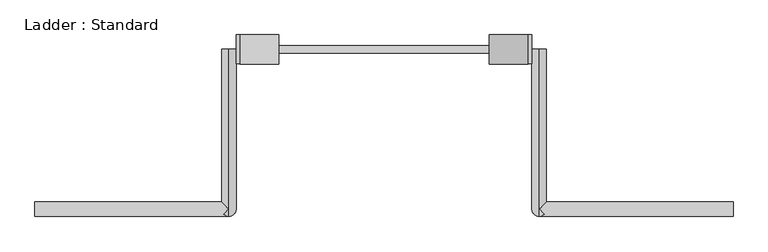
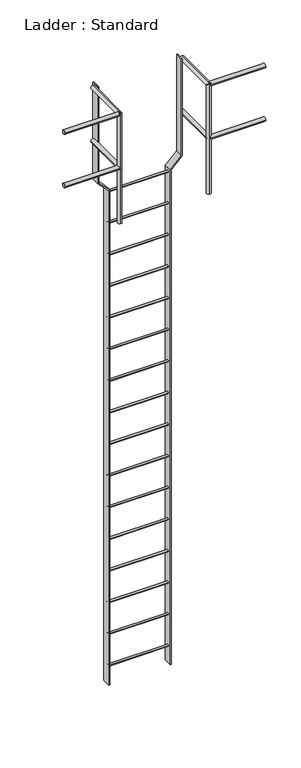
"""IFC4 building model written with IfcOpenShell, lengths in millimetres: proxy geometry, Ladder : Standard."""

from ifc_helpers import new_model, si_unit, point, frame, frame_2d, origin, place, context, project, spatial, polyline, circle_curve, ellipse_curve, trimmed, segment, composite_curve, outline, extrude, source, transform, mapped, element, save
from ifc_brep_helpers import plane_surface, cylinder_surface, advanced_brep


def ladder_standard_c628fd22(model_context):
    return source(origin(), model_context, "Body", "SolidModel", [
        extrude(outline(composite_curve([segment(trimmed(circle_curve(frame_2d((419.1, -4572.0)), 9.525), [point((409.575, -4572.0))], [point((428.625, -4572.0))], False, "CARTESIAN"), True, "CONTINUOUS"), segment(trimmed(circle_curve(frame_2d((419.1, -4572.0)), 9.525), [point((428.625, -4572.0))], [point((409.575, -4572.0))], False, "CARTESIAN"), True, "CONTINUOUS")], self_intersect=False)), frame((-276.3329351, 0.0, 0.0), z_axis=(1.0, 0.0, 0.0), x_axis=(0.0, 1.0, 0.0)), (0.0, 0.0, 1.0), 552.6658703),
        extrude(outline(composite_curve([segment(trimmed(circle_curve(frame_2d((419.1, -4267.2)), 9.525), [point((409.575, -4267.2))], [point((428.625, -4267.2))], False, "CARTESIAN"), True, "CONTINUOUS"), segment(trimmed(circle_curve(frame_2d((419.1, -4267.2)), 9.525), [point((428.625, -4267.2))], [point((409.575, -4267.2))], False, "CARTESIAN"), True, "CONTINUOUS")], self_intersect=False)), frame((-276.3329351, 0.0, 0.0), z_axis=(1.0, 0.0, 0.0), x_axis=(0.0, 1.0, 0.0)), (0.0, 0.0, 1.0), 552.6658703),
        extrude(outline(composite_curve([segment(trimmed(circle_curve(frame_2d((419.1, -3962.4)), 9.525), [point((409.575, -3962.4))], [point((428.625, -3962.4))], False, "CARTESIAN"), True, "CONTINUOUS"), segment(trimmed(circle_curve(frame_2d((419.1, -3962.4)), 9.525), [point((428.625, -3962.4))], [point((409.575, -3962.4))], False, "CARTESIAN"), True, "CONTINUOUS")], self_intersect=False)), frame((-276.3329351, 0.0, 0.0), z_axis=(1.0, 0.0, 0.0), x_axis=(0.0, 1.0, 0.0)), (0.0, 0.0, 1.0), 552.6658703),
        extrude(outline(composite_curve([segment(trimmed(circle_curve(frame_2d((419.1, -3657.6)), 9.525), [point((409.575, -3657.6))], [point((428.625, -3657.6))], False, "CARTESIAN"), True, "CONTINUOUS"), segment(trimmed(circle_curve(frame_2d((419.1, -3657.6)), 9.525), [point((428.625, -3657.6))], [point((409.575, -3657.6))], False, "CARTESIAN"), True, "CONTINUOUS")], self_intersect=False)), frame((-276.3329351, 0.0, 0.0), z_axis=(1.0, 0.0, 0.0), x_axis=(0.0, 1.0, 0.0)), (0.0, 0.0, 1.0), 552.6658703),
        extrude(outline(composite_curve([segment(trimmed(circle_curve(frame_2d((419.1, -3352.8)), 9.525), [point((409.575, -3352.8))], [point((428.625, -3352.8))], False, "CARTESIAN"), True, "CONTINUOUS"), segment(trimmed(circle_curve(frame_2d((419.1, -3352.8)), 9.525), [point((428.625, -3352.8))], [point((409.575, -3352.8))], False, "CARTESIAN"), True, "CONTINUOUS")], self_intersect=False)), frame((-276.3329351, 0.0, 0.0), z_axis=(1.0, 0.0, 0.0), x_axis=(0.0, 1.0, 0.0)), (0.0, 0.0, 1.0), 552.6658703),
        extrude(outline(composite_curve([segment(trimmed(circle_curve(frame_2d((419.1, -3048.0)), 9.525), [point((409.575, -3048.0))], [point((428.625, -3048.0))], False, "CARTESIAN"), True, "CONTINUOUS"), segment(trimmed(circle_curve(frame_2d((419.1, -3048.0)), 9.525), [point((428.625, -3048.0))], [point((409.575, -3048.0))], False, "CARTESIAN"), True, "CONTINUOUS")], self_intersect=False)), frame((-276.3329351, 0.0, 0.0), z_axis=(1.0, 0.0, 0.0), x_axis=(0.0, 1.0, 0.0)), (0.0, 0.0, 1.0), 552.6658703),
        extrude(outline(composite_curve([segment(trimmed(circle_curve(frame_2d((419.1, -2743.2)), 9.525), [point((409.575, -2743.2))], [point((428.625, -2743.2))], False, "CARTESIAN"), True, "CONTINUOUS"), segment(trimmed(circle_curve(frame_2d((419.1, -2743.2)), 9.525), [point((428.625, -2743.2))], [point((409.575, -2743.2))], False, "CARTESIAN"), True, "CONTINUOUS")], self_intersect=False)), frame((-276.3329351, 0.0, 0.0), z_axis=(1.0, 0.0, 0.0), x_axis=(0.0, 1.0, 0.0)), (0.0, 0.0, 1.0), 552.6658703),
        extrude(outline(composite_curve([segment(trimmed(circle_curve(frame_2d((419.1, -2438.4)), 9.525), [point((409.575, -2438.4))], [point((428.625, -2438.4))], False, "CARTESIAN"), True, "CONTINUOUS"), segment(trimmed(circle_curve(frame_2d((419.1, -2438.4)), 9.525), [point((428.625, -2438.4))], [point((409.575, -2438.4))], False, "CARTESIAN"), True, "CONTINUOUS")], self_intersect=False)), frame((-276.3329351, 0.0, 0.0), z_axis=(1.0, 0.0, 0.0), x_axis=(0.0, 1.0, 0.0)), (0.0, 0.0, 1.0), 552.6658703),
        extrude(outline(composite_curve([segment(trimmed(circle_curve(frame_2d((419.1, -2133.6)), 9.525), [point((409.575, -2133.6))], [point((428.625, -2133.6))], False, "CARTESIAN"), True, "CONTINUOUS"), segment(trimmed(circle_curve(frame_2d((419.1, -2133.6)), 9.525), [point((428.625, -2133.6))], [point((409.575, -2133.6))], False, "CARTESIAN"), True, "CONTINUOUS")], self_intersect=False)), frame((-276.3329351, 0.0, 0.0), z_axis=(1.0, 0.0, 0.0), x_axis=(0.0, 1.0, 0.0)), (0.0, 0.0, 1.0), 552.6658703),
        extrude(outline(composite_curve([segment(trimmed(circle_curve(frame_2d((419.1, -1828.8)), 9.525), [point((409.575, -1828.8))], [point((428.625, -1828.8))], False, "CARTESIAN"), True, "CONTINUOUS"), segment(trimmed(circle_curve(frame_2d((419.1, -1828.8)), 9.525), [point((428.625, -1828.8))], [point((409.575, -1828.8))], False, "CARTESIAN"), True, "CONTINUOUS")], self_intersect=False)), frame((-276.3329351, 0.0, 0.0), z_axis=(1.0, 0.0, 0.0), x_axis=(0.0, 1.0, 0.0)), (0.0, 0.0, 1.0), 552.6658703),
        extrude(outline(composite_curve([segment(trimmed(circle_curve(frame_2d((419.1, -1524.0)), 9.525), [point((409.575, -1524.0))], [point((428.625, -1524.0))], False, "CARTESIAN"), True, "CONTINUOUS"), segment(trimmed(circle_curve(frame_2d((419.1, -1524.0)), 9.525), [point((428.625, -1524.0))], [point((409.575, -1524.0))], False, "CARTESIAN"), True, "CONTINUOUS")], self_intersect=False)), frame((-276.3329351, 0.0, 0.0), z_axis=(1.0, 0.0, 0.0), x_axis=(0.0, 1.0, 0.0)), (0.0, 0.0, 1.0), 552.6658703),
        extrude(outline(composite_curve([segment(trimmed(circle_curve(frame_2d((419.1, -1219.2)), 9.525), [point((409.575, -1219.2))], [point((428.625, -1219.2))], False, "CARTESIAN"), True, "CONTINUOUS"), segment(trimmed(circle_curve(frame_2d((419.1, -1219.2)), 9.525), [point((428.625, -1219.2))], [point((409.575, -1219.2))], False, "CARTESIAN"), True, "CONTINUOUS")], self_intersect=False)), frame((-276.3329351, 0.0, 0.0), z_axis=(1.0, 0.0, 0.0), x_axis=(0.0, 1.0, 0.0)), (0.0, 0.0, 1.0), 552.6658703),
        extrude(outline(composite_curve([segment(trimmed(circle_curve(frame_2d((419.1, -914.4)), 9.525), [point((409.575, -914.4))], [point((428.625, -914.4))], False, "CARTESIAN"), True, "CONTINUOUS"), segment(trimmed(circle_curve(frame_2d((419.1, -914.4)), 9.525), [point((428.625, -914.4))], [point((409.575, -914.4))], False, "CARTESIAN"), True, "CONTINUOUS")], self_intersect=False)), frame((-276.3329351, 0.0, 0.0), z_axis=(1.0, 0.0, 0.0), x_axis=(0.0, 1.0, 0.0)), (0.0, 0.0, 1.0), 552.6658703),
        extrude(outline(composite_curve([segment(trimmed(circle_curve(frame_2d((419.1, -609.6)), 9.525), [point((409.575, -609.6))], [point((428.625, -609.6))], False, "CARTESIAN"), True, "CONTINUOUS"), segment(trimmed(circle_curve(frame_2d((419.1, -609.6)), 9.525), [point((428.625, -609.6))], [point((409.575, -609.6))], False, "CARTESIAN"), True, "CONTINUOUS")], self_intersect=False)), frame((-276.3329351, 0.0, 0.0), z_axis=(1.0, 0.0, 0.0), x_axis=(0.0, 1.0, 0.0)), (0.0, 0.0, 1.0), 552.6658703),
        extrude(outline(composite_curve([segment(trimmed(circle_curve(frame_2d((419.1, -304.8)), 9.525), [point((409.575, -304.8))], [point((428.625, -304.8))], False, "CARTESIAN"), True, "CONTINUOUS"), segment(trimmed(circle_curve(frame_2d((419.1, -304.8)), 9.525), [point((428.625, -304.8))], [point((409.575, -304.8))], False, "CARTESIAN"), True, "CONTINUOUS")], self_intersect=False)), frame((-276.3329351, 0.0, 0.0), z_axis=(1.0, 0.0, 0.0), x_axis=(0.0, 1.0, 0.0)), (0.0, 0.0, 1.0), 552.6658703),
        extrude(outline(composite_curve([segment(trimmed(circle_curve(frame_2d((419.1, 0.0)), 9.525), [point((409.575, 0.0))], [point((428.625, 0.0))], False, "CARTESIAN"), True, "CONTINUOUS"), segment(trimmed(circle_curve(frame_2d((419.1, 0.0)), 9.525), [point((428.625, 0.0))], [point((409.575, 0.0))], False, "CARTESIAN"), True, "CONTINUOUS")], self_intersect=False)), frame((-276.3329351, 0.0, 0.0), z_axis=(1.0, 0.0, 0.0), x_axis=(0.0, 1.0, 0.0)), (0.0, 0.0, 1.0), 552.6658703),
        advanced_brep(
        [(387.4579351, 419.1, 533.4), (425.5579351, 419.1, 533.4), (425.5579351, 19.05, 533.4), (419.9783193, 13.4703842, 519.9296158), (406.5079351, 19.05, 514.35), (387.4579351, 0.0, 533.4), (406.5079351, 19.05, 552.45), (419.9783193, 13.4703842, 546.8703842), (914.5079351, -19.05, 533.4), (914.5079351, 19.05, 533.4), (406.5079351, -19.05, 533.4), (406.5079351, 19.05, 0.0), (406.5079351, -19.05, 0.0), (406.5079351, 19.05, 1028.7), (419.9783193, 13.4703842, 1034.2796158), (406.5079351, -19.05, 1047.75), (419.9783193, -13.4703842, 1061.2203842), (406.5079351, -19.05, 1066.8), (406.5079351, 419.1, 1028.7), (406.5079351, 419.1, 1066.8), (406.5079351, 0.0, 1066.8), (425.5579351, 19.05, 1047.75), (914.5079351, -19.05, 1047.75), (914.5079351, 19.05, 1047.75)],
        [
            (0, 1, circle_curve(frame((406.5079351, 419.1, 533.4), z_axis=(0.0, 1.0, 0.0), x_axis=(1.0, 0.0, 0.0)), 19.05)),
            (1, 0, circle_curve(frame((406.5079351, 419.1, 533.4), z_axis=(0.0, 1.0, 0.0), x_axis=(1.0, 0.0, 0.0)), 19.05)),
            (1, 2),
            (2, 3, ellipse_curve(frame((406.5079351, 0.0, 533.4), z_axis=(-0.7071067811865459, 0.7071067811865492, 0.0), x_axis=(-0.7071067811865492, -0.7071067811865457, 0.0)), 26.9407684, 19.05)),
            (3, 4, ellipse_curve(frame((406.5079351, 0.0, 533.4), z_axis=(0.0, 0.7071067811865475, 0.7071067811865475), x_axis=(0.0, -0.7071067811865476, 0.7071067811865474)), 26.9407684, 19.05)),
            (4, 5, ellipse_curve(frame((406.5079351, 0.0, 533.4), z_axis=(0.0, 0.7071067811865475, 0.7071067811865475), x_axis=(0.0, -0.7071067811865476, 0.7071067811865474)), 26.9407684, 19.05)),
            (5, 0),
            (5, 6, ellipse_curve(frame((406.5079351, 0.0, 533.4), z_axis=(0.0, 0.7071067811865475, -0.7071067811865475), x_axis=(0.0, -0.7071067811865476, -0.7071067811865474)), 26.9407684, 19.05)),
            (6, 7, ellipse_curve(frame((406.5079351, 0.0, 533.4), z_axis=(0.0, 0.7071067811865475, -0.7071067811865475), x_axis=(0.0, -0.7071067811865476, -0.7071067811865474)), 26.9407684, 19.05)),
            (7, 2, ellipse_curve(frame((406.5079351, 0.0, 533.4), z_axis=(-0.7071067811865459, 0.7071067811865492, 0.0), x_axis=(-0.7071067811865492, -0.7071067811865457, 0.0)), 26.9407684, 19.05)),
            (8, 9, circle_curve(frame((914.5079351, 0.0, 533.4), z_axis=(1.0, 0.0, 0.0), x_axis=(0.0, 1.0, 0.0)), 19.05)),
            (9, 8, circle_curve(frame((914.5079351, 0.0, 533.4), z_axis=(1.0, 0.0, 0.0), x_axis=(0.0, 1.0, 0.0)), 19.05)),
            (8, 10),
            (10, 3, ellipse_curve(frame((406.5079351, 0.0, 533.4), z_axis=(0.7071067811865475, 0.0, 0.7071067811865476), x_axis=(0.7071067811865476, 0.0, -0.7071067811865474)), 26.9407684, 19.05)),
            (2, 9),
            (7, 10, ellipse_curve(frame((406.5079351, 0.0, 533.4), z_axis=(0.7071067811865476, 0.0, -0.7071067811865475), x_axis=(0.7071067811865474, 0.0, 0.7071067811865476)), 26.9407684, 19.05)),
            (11, 12, circle_curve(frame((406.5079351, 0.0, 0.0), z_axis=(0.0, 0.0, -1.0), x_axis=(0.0, -1.0, 0.0)), 19.05)),
            (12, 11, circle_curve(frame((406.5079351, 0.0, 0.0), z_axis=(0.0, 0.0, -1.0), x_axis=(0.0, -1.0, 0.0)), 19.05)),
            (11, 4),
            (10, 12),
            (6, 13),
            (13, 14, ellipse_curve(frame((406.5079351, 0.0, 1047.75), z_axis=(0.0, -0.7071067811865475, -0.7071067811865475), x_axis=(0.0, 0.7071067811865474, -0.7071067811865476)), 26.9407684, 19.05)),
            (14, 15, ellipse_curve(frame((406.5079351, 0.0, 1047.75), z_axis=(-0.7071067811865475, 0.0, -0.7071067811865476), x_axis=(0.7071067811865476, 0.0, -0.7071067811865474)), 26.9407684, 19.05)),
            (15, 10),
            (16, 17, ellipse_curve(frame((406.5079351, 0.0, 1047.75), z_axis=(0.0, -0.7071067811865475, -0.7071067811865475), x_axis=(0.0, 0.7071067811865474, -0.7071067811865476)), 26.9407684, 19.05)),
            (17, 15),
            (15, 16, ellipse_curve(frame((406.5079351, 0.0, 1047.75), z_axis=(-0.7071067811865476, 0.0, 0.7071067811865475), x_axis=(-0.7071067811865474, 0.0, -0.7071067811865476)), 26.9407684, 19.05)),
            (17, 13, ellipse_curve(frame((406.5079351, 0.0, 1047.75), z_axis=(0.0, -0.7071067811865475, -0.7071067811865475), x_axis=(0.0, 0.7071067811865474, -0.7071067811865476)), 26.9407684, 19.05)),
            (18, 19, circle_curve(frame((406.5079351, 419.1, 1047.75), z_axis=(0.0, 1.0, 0.0), x_axis=(0.0, 0.0, 1.0)), 19.05)),
            (19, 18, circle_curve(frame((406.5079351, 419.1, 1047.75), z_axis=(0.0, 1.0, 0.0), x_axis=(0.0, 0.0, 1.0)), 19.05)),
            (16, 20, ellipse_curve(frame((406.5079351, 0.0, 1047.75), z_axis=(-0.7071067811865508, -0.7071067811865441, 0.0), x_axis=(0.7071067811865441, -0.7071067811865509, 0.0)), 26.9407684, 19.05)),
            (20, 17),
            (19, 20),
            (20, 21, ellipse_curve(frame((406.5079351, 0.0, 1047.75), z_axis=(-0.7071067811865441, 0.7071067811865508, 0.0), x_axis=(-0.7071067811865507, -0.7071067811865442, 0.0)), 26.9407684, 19.05)),
            (21, 14, ellipse_curve(frame((406.5079351, 0.0, 1047.75), z_axis=(-0.7071067811865441, 0.7071067811865508, 0.0), x_axis=(-0.7071067811865507, -0.7071067811865442, 0.0)), 26.9407684, 19.05)),
            (13, 18),
            (22, 23, circle_curve(frame((914.5079351, 0.0, 1047.75), z_axis=(1.0, 0.0, 0.0), x_axis=(0.0, 1.0, 0.0)), 19.05)),
            (23, 22, circle_curve(frame((914.5079351, 0.0, 1047.75), z_axis=(1.0, 0.0, 0.0), x_axis=(0.0, 1.0, 0.0)), 19.05)),
            (22, 15),
            (21, 23),
        ],
        [
            plane_surface(frame((425.5579351, 419.1, 533.4), z_axis=(0.0, 1.0, 0.0), x_axis=(0.0, 0.0, -1.0))),
            cylinder_surface(frame((406.5079351, 419.1, 533.4), z_axis=(0.0, -1.0, 0.0), x_axis=(1.0, 0.0, 0.0)), 19.05),
            plane_surface(frame((914.5079351, 19.05, 533.4), z_axis=(1.0, 0.0, 0.0), x_axis=(0.0, 0.0, 1.0))),
            cylinder_surface(frame((406.5079351, 0.0, 533.4), z_axis=(1.0, 0.0, 0.0), x_axis=(0.0, 1.0, 0.0)), 19.05),
            plane_surface(frame((0.0, 0.0, 0.0), z_axis=(0.0, 0.0, -1.0), x_axis=(1.0, 0.0, 0.0))),
            cylinder_surface(frame((406.5079351, 0.0, 0.0), z_axis=(0.0, 0.0, -1.0), x_axis=(0.0, -1.0, 0.0)), 19.05),
            plane_surface(frame((0.0, 419.1, 1047.75), z_axis=(0.0, 1.0, 0.0), x_axis=(1.0, 0.0, 0.0))),
            cylinder_surface(frame((406.5079351, 0.0, 1047.75), z_axis=(0.0, -1.0, 0.0), x_axis=(0.0, 0.0, 1.0)), 19.05),
            plane_surface(frame((914.5079351, 19.05, 1047.75), z_axis=(1.0, 0.0, 0.0), x_axis=(0.0, 0.0, 1.0))),
            cylinder_surface(frame((406.5079351, 0.0, 1047.75), z_axis=(1.0, 0.0, 0.0), x_axis=(0.0, 1.0, 0.0)), 19.05),
        ],
        [
            (0, [[1, 2]]),
            (1, [[-2, 3, 4, 5, 6, 7]]),
            (1, [[-1, -7, 8, 9, 10, -3]]),
            (2, [[11, 12]]),
            (3, [[-11, 13, 14, -4, 15]]),
            (3, [[-12, -15, -10, 16, -13]]),
            (4, [[17, 18]]),
            (5, [[-17, 19, -5, -14, 20]]),
            (5, [[21, 22, 23, 24, -16, -9]]),
            (5, [[25, 26, 27]]),
            (5, [[-18, -20, -24, -26, 28, -21, -8, -6, -19]]),
            (6, [[29, 30]]),
            (7, [[-25, 31, 32]]),
            (7, [[-30, 33, 34, 35, -22, 36]]),
            (7, [[-28, -32, -33, -29, -36]]),
            (8, [[37, 38]]),
            (9, [[-37, 39, -23, -35, 40]]),
            (9, [[-38, -40, -34, -31, -27, -39]]),
        ],
    ),
        advanced_brep(
        [(-914.5079351, -19.05, 533.4), (-914.5079351, 19.05, 533.4), (-425.5579351, 19.05, 533.4), (-419.9783193, 13.4703842, 519.9296158), (-406.5079351, -19.05, 533.4), (-419.9783193, 13.4703842, 546.8703842), (-425.5579351, 419.1, 533.4), (-387.4579351, 419.1, 533.4), (-387.4579351, 0.0, 533.4), (-406.5079351, 19.05, 514.35), (-406.5079351, 19.05, 552.45), (-406.5079351, 19.05, 0.0), (-406.5079351, -19.05, 0.0), (-406.5079351, 19.05, 1028.7), (-406.5079351, -19.05, 1066.8), (-406.5079351, -19.05, 1047.75), (-419.9783193, 13.4703842, 1034.2796158), (-419.9783193, -13.4703842, 1061.2203842), (-406.5079351, 419.1, 1028.7), (-406.5079351, 419.1, 1066.8), (-406.5079351, 0.0, 1066.8), (-425.5579351, 19.05, 1047.75), (-914.5079351, -19.05, 1047.75), (-914.5079351, 19.05, 1047.75)],
        [
            (0, 1, circle_curve(frame((-914.5079351, 0.0, 533.4), z_axis=(-1.0, 0.0, 0.0), x_axis=(0.0, 1.0, 0.0)), 19.05)),
            (1, 0, circle_curve(frame((-914.5079351, 0.0, 533.4), z_axis=(-1.0, 0.0, 0.0), x_axis=(0.0, 1.0, 0.0)), 19.05)),
            (1, 2),
            (2, 3, ellipse_curve(frame((-406.5079351, 0.0, 533.4), z_axis=(-0.7071067811865491, -0.7071067811865458, 0.0), x_axis=(0.7071067811865459, -0.707106781186549, 0.0)), 26.9407684, 19.05)),
            (3, 4, ellipse_curve(frame((-406.5079351, 0.0, 533.4), z_axis=(-0.7071067811865476, 0.0, 0.7071067811865475), x_axis=(0.7071067811865474, 0.0, 0.7071067811865476)), 26.9407684, 19.05)),
            (4, 0),
            (4, 5, ellipse_curve(frame((-406.5079351, 0.0, 533.4), z_axis=(-0.7071067811865475, 0.0, -0.7071067811865476), x_axis=(0.7071067811865476, 0.0, -0.7071067811865474)), 26.9407684, 19.05)),
            (5, 2, ellipse_curve(frame((-406.5079351, 0.0, 533.4), z_axis=(-0.7071067811865491, -0.7071067811865458, 0.0), x_axis=(0.7071067811865459, -0.707106781186549, 0.0)), 26.9407684, 19.05)),
            (6, 7, circle_curve(frame((-406.5079351, 419.1, 533.4), z_axis=(0.0, 1.0, 0.0), x_axis=(1.0, 0.0, 0.0)), 19.05)),
            (7, 6, circle_curve(frame((-406.5079351, 419.1, 533.4), z_axis=(0.0, 1.0, 0.0), x_axis=(1.0, 0.0, 0.0)), 19.05)),
            (7, 8),
            (8, 9, ellipse_curve(frame((-406.5079351, 0.0, 533.4), z_axis=(0.0, 0.7071067811865475, 0.7071067811865475), x_axis=(0.0, -0.7071067811865476, 0.7071067811865474)), 26.9407684, 19.05)),
            (9, 3, ellipse_curve(frame((-406.5079351, 0.0, 533.4), z_axis=(0.0, 0.7071067811865475, 0.7071067811865475), x_axis=(0.0, -0.7071067811865476, 0.7071067811865474)), 26.9407684, 19.05)),
            (2, 6),
            (5, 10, ellipse_curve(frame((-406.5079351, 0.0, 533.4), z_axis=(0.0, 0.7071067811865475, -0.7071067811865475), x_axis=(0.0, -0.7071067811865476, -0.7071067811865474)), 26.9407684, 19.05)),
            (10, 8, ellipse_curve(frame((-406.5079351, 0.0, 533.4), z_axis=(0.0, 0.7071067811865475, -0.7071067811865475), x_axis=(0.0, -0.7071067811865476, -0.7071067811865474)), 26.9407684, 19.05)),
            (11, 12, circle_curve(frame((-406.5079351, 0.0, 0.0), z_axis=(0.0, 0.0, -1.0), x_axis=(0.0, -1.0, 0.0)), 19.05)),
            (12, 11, circle_curve(frame((-406.5079351, 0.0, 0.0), z_axis=(0.0, 0.0, -1.0), x_axis=(0.0, -1.0, 0.0)), 19.05)),
            (11, 9),
            (10, 13),
            (13, 14, ellipse_curve(frame((-406.5079351, 0.0, 1047.75), z_axis=(0.0, -0.7071067811865475, -0.7071067811865475), x_axis=(0.0, 0.7071067811865474, -0.7071067811865476)), 26.9407684, 19.05)),
            (14, 15),
            (15, 4),
            (4, 12),
            (15, 16, ellipse_curve(frame((-406.5079351, 0.0, 1047.75), z_axis=(0.7071067811865476, 0.0, -0.7071067811865475), x_axis=(-0.7071067811865474, 0.0, -0.7071067811865476)), 26.9407684, 19.05)),
            (16, 13, ellipse_curve(frame((-406.5079351, 0.0, 1047.75), z_axis=(0.0, -0.7071067811865475, -0.7071067811865475), x_axis=(0.0, 0.7071067811865474, -0.7071067811865476)), 26.9407684, 19.05)),
            (14, 17, ellipse_curve(frame((-406.5079351, 0.0, 1047.75), z_axis=(0.0, -0.7071067811865475, -0.7071067811865475), x_axis=(0.0, 0.7071067811865474, -0.7071067811865476)), 26.9407684, 19.05)),
            (17, 15, ellipse_curve(frame((-406.5079351, 0.0, 1047.75), z_axis=(0.7071067811865475, 0.0, 0.7071067811865476), x_axis=(0.7071067811865476, 0.0, -0.7071067811865474)), 26.9407684, 19.05)),
            (18, 19, circle_curve(frame((-406.5079351, 419.1, 1047.75), z_axis=(0.0, 1.0, 0.0), x_axis=(0.0, 0.0, 1.0)), 19.05)),
            (19, 18, circle_curve(frame((-406.5079351, 419.1, 1047.75), z_axis=(0.0, 1.0, 0.0), x_axis=(0.0, 0.0, 1.0)), 19.05)),
            (13, 18),
            (19, 20),
            (20, 14),
            (20, 17, ellipse_curve(frame((-406.5079351, 0.0, 1047.75), z_axis=(0.7071067811865441, -0.7071067811865508, 0.0), x_axis=(-0.7071067811865507, -0.7071067811865442, 0.0)), 26.9407684, 19.05)),
            (16, 21, ellipse_curve(frame((-406.5079351, 0.0, 1047.75), z_axis=(0.7071067811865508, 0.7071067811865441, 0.0), x_axis=(0.7071067811865441, -0.7071067811865509, 0.0)), 26.9407684, 19.05)),
            (21, 20, ellipse_curve(frame((-406.5079351, 0.0, 1047.75), z_axis=(0.7071067811865508, 0.7071067811865441, 0.0), x_axis=(0.7071067811865441, -0.7071067811865509, 0.0)), 26.9407684, 19.05)),
            (22, 23, circle_curve(frame((-914.5079351, 0.0, 1047.75), z_axis=(-1.0, 0.0, 0.0), x_axis=(0.0, 1.0, 0.0)), 19.05)),
            (23, 22, circle_curve(frame((-914.5079351, 0.0, 1047.75), z_axis=(-1.0, 0.0, 0.0), x_axis=(0.0, 1.0, 0.0)), 19.05)),
            (23, 21),
            (15, 22),
        ],
        [
            plane_surface(frame((-914.5079351, 19.05, 533.4), z_axis=(-1.0, 0.0, 0.0), x_axis=(0.0, 0.0, -1.0))),
            cylinder_surface(frame((-914.5079351, 0.0, 533.4), z_axis=(1.0, 0.0, 0.0), x_axis=(0.0, 1.0, 0.0)), 19.05),
            plane_surface(frame((-387.4579351, 419.1, 533.4), z_axis=(0.0, 1.0, 0.0), x_axis=(0.0, 0.0, -1.0))),
            cylinder_surface(frame((-406.5079351, 419.1, 533.4), z_axis=(0.0, -1.0, 0.0), x_axis=(1.0, 0.0, 0.0)), 19.05),
            plane_surface(frame((0.0, 0.0, 0.0), z_axis=(0.0, 0.0, -1.0), x_axis=(1.0, 0.0, 0.0))),
            cylinder_surface(frame((-406.5079351, 0.0, 0.0), z_axis=(0.0, 0.0, -1.0), x_axis=(0.0, -1.0, 0.0)), 19.05),
            plane_surface(frame((0.0, 419.1, 1047.75), z_axis=(0.0, 1.0, 0.0), x_axis=(1.0, 0.0, 0.0))),
            cylinder_surface(frame((-406.5079351, 0.0, 1047.75), z_axis=(0.0, -1.0, 0.0), x_axis=(0.0, 0.0, 1.0)), 19.05),
            plane_surface(frame((-914.5079351, 19.05, 1047.75), z_axis=(-1.0, 0.0, 0.0), x_axis=(0.0, 0.0, -1.0))),
            cylinder_surface(frame((-914.5079351, 0.0, 1047.75), z_axis=(1.0, 0.0, 0.0), x_axis=(0.0, 1.0, 0.0)), 19.05),
        ],
        [
            (0, [[1, 2]]),
            (1, [[-2, 3, 4, 5, 6]]),
            (1, [[-1, -6, 7, 8, -3]]),
            (2, [[9, 10]]),
            (3, [[-10, 11, 12, 13, -4, 14]]),
            (3, [[-9, -14, -8, 15, 16, -11]]),
            (4, [[17, 18]]),
            (5, [[-17, 19, -12, -16, 20, 21, 22, 23, 24]]),
            (5, [[-18, -24, -5, -13, -19]]),
            (5, [[-20, -15, -7, -23, 25, 26]]),
            (5, [[27, 28, -22]]),
            (6, [[29, 30]]),
            (7, [[-21, 31, -30, 32, 33]]),
            (7, [[-27, -33, 34]]),
            (7, [[-29, -31, -26, 35, 36, -32]]),
            (8, [[37, 38]]),
            (9, [[-38, 39, -35, -25, 40]]),
            (9, [[-37, -40, -28, -34, -36, -39]]),
        ],
    ),
        extrude(outline(polyline([(1066.8, -387.4579351), (133.35, -387.4579351), (31.75, -285.8579351), (-4735.7545699, -285.8579351), (-4735.7545699, -276.3329351), (35.6953842, -276.3329351), (137.2953842, -377.9329351), (1066.8, -377.9329351), (1066.8, -387.4579351)])), frame((0.0, 381.0, 0.0), z_axis=(0.0, 1.0, 0.0), x_axis=(0.0, 0.0, 1.0)), (0.0, 0.0, 1.0), 76.2),
        extrude(outline(polyline([(1066.8, 377.9329351), (137.2953842, 377.9329351), (35.6953842, 276.3329351), (-4735.7545699, 276.3329351), (-4735.7545699, 285.8579351), (31.75, 285.8579351), (133.35, 387.4579351), (1066.8, 387.4579351), (1066.8, 377.9329351)])), frame((0.0, 381.0, 0.0), z_axis=(0.0, 1.0, 0.0), x_axis=(0.0, 0.0, 1.0)), (0.0, 0.0, 1.0), 76.2),
    ])


if __name__ == "__main__":
    model = new_model("IFC4")
    model_context = context("Model", 3, world=origin())
    ifc_project = project(units=[si_unit("LENGTHUNIT", "METRE", prefix="MILLI")], contexts=[model_context])
    site = spatial("IfcSite", under=ifc_project)
    building = spatial("IfcBuilding", under=site)
    placement = place(None, origin())
    ladder_standard_shape = ladder_standard_c628fd22(model_context)
    element("IfcBuildingElementProxy", 1, Name="Ladder : Standard", ObjectType="Ladder : Standard", at=placement, inside=building, context=model_context, shape_type="MappedRepresentation", body=[
        mapped(ladder_standard_shape, transform((0.0, 0.0, 0.0), x_axis=(1.0, 0.0, 0.0), y_axis=(0.0, 1.0, 0.0), z_axis=(0.0, 0.0, 1.0))),
    ])
    save(model, "model.ifc")
